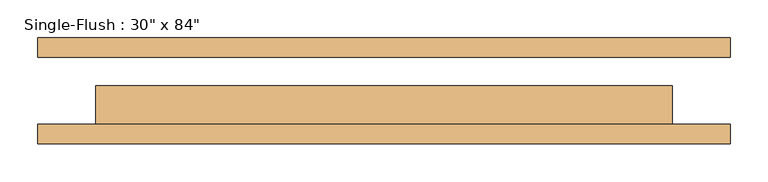
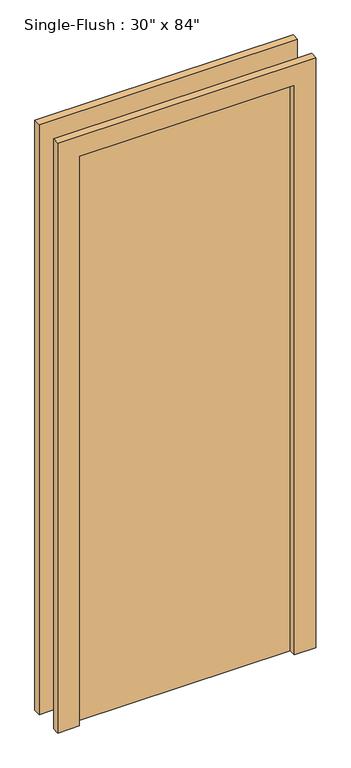
"""IFC4 building model written with IfcOpenShell, lengths in millimetres: door geometry."""

from ifc_helpers import new_model, si_unit, frame, origin, origin_with_axes, place, context, project, spatial, polyline, outline, extrude, source, transform, mapped, element, save


def door_266cd992(model_context):
    return source(origin(), model_context, "Body", "SweptSolid", [
        extrude(outline(polyline([(2209.8, -457.2), (0.0, -457.2), (0.0, -381.0), (2133.6, -381.0), (2133.6, 381.0), (0.0, 381.0), (0.0, 457.2), (2209.8, 457.2), (2209.8, -457.2)])), frame((0.0, -69.85, 0.0), z_axis=(0.0, 1.0, 0.0), x_axis=(0.0, 0.0, 1.0)), (0.0, 0.0, 1.0), 25.4),
        extrude(outline(polyline([(2209.8, 457.2), (2209.8, -457.2), (0.0, -457.2), (0.0, -381.0), (2133.6, -381.0), (2133.6, 381.0), (0.0, 381.0), (0.0, 457.2), (2209.8, 457.2)])), frame((0.0, 44.45, 0.0), z_axis=(0.0, 1.0, 0.0), x_axis=(0.0, 0.0, 1.0)), (0.0, 0.0, 1.0), 25.4),
        extrude(outline(polyline([(381.0, 6.35), (381.0, -44.45), (-381.0, -44.45), (-381.0, 6.35), (381.0, 6.35)])), origin_with_axes(), (0.0, 0.0, 1.0), 2133.6),
    ])


if __name__ == "__main__":
    model = new_model("IFC4")
    model_context = context("Model", 3, world=origin())
    ifc_project = project(units=[si_unit("LENGTHUNIT", "METRE", prefix="MILLI")], contexts=[model_context])
    site = spatial("IfcSite", under=ifc_project)
    building = spatial("IfcBuilding", under=site)
    placement = place(None, origin())
    door_shape = door_266cd992(model_context)
    element("IfcDoor", 1, ObjectType="Single-Flush : 30\" x 84\"", at=placement, inside=building, context=model_context, shape_type="MappedRepresentation", body=[
        mapped(door_shape, transform((0.0, 0.0, 0.0), x_axis=(1.0, 0.0, 0.0), y_axis=(0.0, 1.0, 0.0), z_axis=(0.0, 0.0, 1.0))),
    ])
    save(model, "model.ifc")
